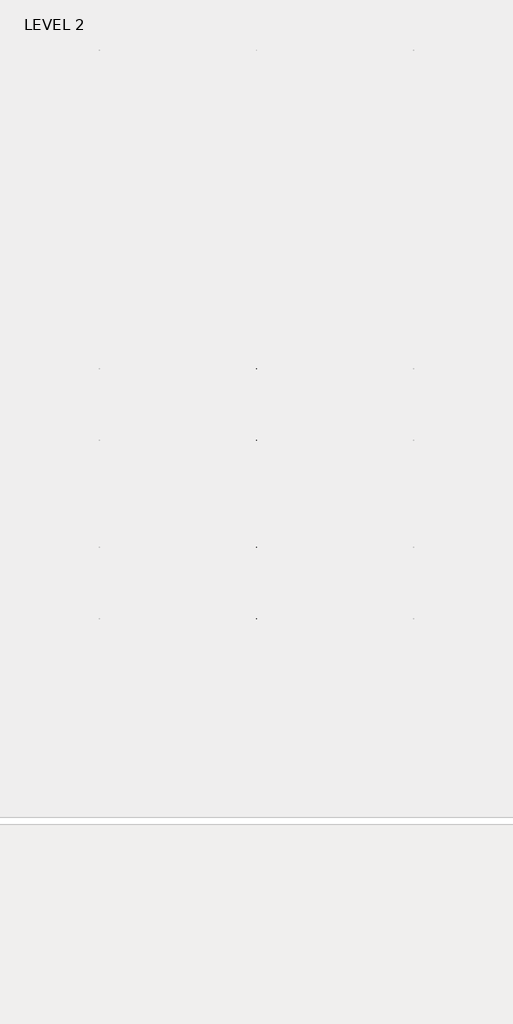
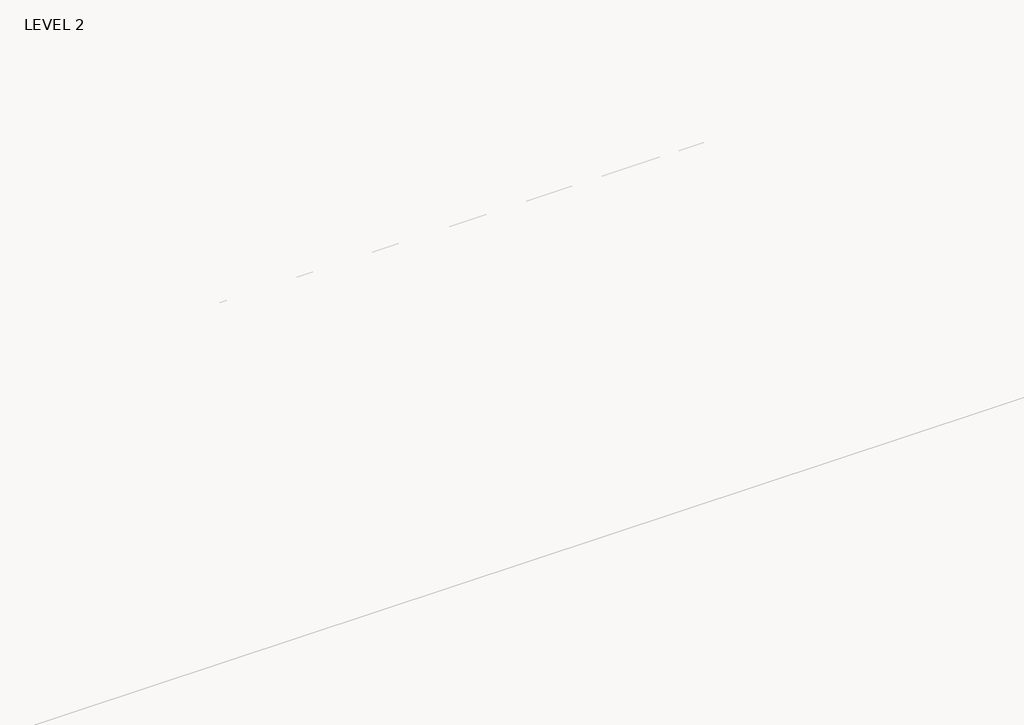
# One storey, part 38 of 67: 1 beam.
"""IFC4 building model written with IfcOpenShell, lengths in millimetres."""

from ifc_helpers import new_model, si_unit, frame, origin, place, context, project, spatial, polyline, outline, extrude, faceted_brep, element, save

model = new_model("IFC4")

# Units and contexts
model_context = context("Model", 3, world=origin())
ifc_project = project(units=[si_unit("LENGTHUNIT", "METRE", prefix="MILLI")], contexts=[model_context])

# Site, building, storey
site = spatial("IfcSite", under=ifc_project)
building = spatial("IfcBuilding", under=site)
storey = spatial("IfcBuildingStorey", under=building, Name="LEVEL 2", Elevation=6908.8)

# Beam
placement = place(None, origin())
element("IfcBeam", 1, ObjectType="K-Series Bar Joist-Angle Web : 12K3", at=placement, inside=storey, context=model_context, shape_type="SolidModel", body=[
    extrude(outline(polyline([(0.0, -9.525), (0.0, 0.0), (573.7533355, 0.0), (573.7533355, -9.525), (0.0, -9.525)])), frame((37225.8014942, -9604.1227945, 6274.1671734), z_axis=(0.0, -0.48308851527800273, 0.8755715198694479), x_axis=(0.0, -0.8755715198694479, -0.48308851527800273)), (0.0, 0.0, 1.0), 9.525),
    extrude(outline(polyline([(0.0, -9.525), (0.0, 0.0), (573.7533355, 0.0), (573.7533355, -9.525), (0.0, -9.525)])), frame((37216.2764942, -14433.5123055, 6174.0312759), z_axis=(0.0, 0.44637950228858414, 0.894843751688861), x_axis=(0.0, 0.894843751688861, -0.44637950228858414)), (0.0, 0.0, 1.0), 9.525),
    extrude(outline(polyline([(4.7625, 4.7625), (4.7625, -4.7625), (-4.7625, -4.7625), (-4.7625, 4.7625), (4.7625, 4.7625)])), frame((37221.0389942, -10108.7855836, 6001.1634358), z_axis=(0.0, 0.5271021201119526, 0.8498019504410923), x_axis=(-1.0, 0.0, 0.0)), (0.0, 0.0, 1.0), 317.9950191),
    extrude(outline(polyline([(4.7625, 4.7625), (4.7625, -4.7625001), (-4.7625, -4.7625001), (-4.7625, 4.7625), (4.7625, 4.7625)])), frame((37221.0389942, -13917.9668359, 5922.1812409), z_axis=(0.0, -0.5618747002661082, 0.8272223529383567), x_axis=(-1.0, 0.0, 0.0)), (0.0, 0.0, 1.0), 317.9950191),
    extrude(outline(polyline([(0.0, 0.0), (31.75, 0.0), (31.75, -6.35), (6.35, -6.35), (6.35, -31.75), (0.0, -31.75), (0.0, 0.0)])), frame((37225.8014942, -14019.4133656, 5913.7264136), z_axis=(0.0, 0.9997851055909517, 0.02073023488747072), x_axis=(1.0, 0.0, 0.0)), (0.0, 0.0, 1.0), 4013.2),
    extrude(outline(polyline([(-9.525, 0.0), (-9.525, -31.75), (-15.875, -31.75), (-15.875, -6.35), (-41.275, -6.35), (-41.275, 0.0), (-9.525, 0.0)])), frame((37225.8014942, -14019.4133656, 5913.7264136), z_axis=(0.0, 0.9997851055909517, 0.02073023488747072), x_axis=(1.0, 0.0, 0.0)), (0.0, 0.0, 1.0), 4013.2),
    extrude(outline(polyline([(-31.75, 0.0), (0.0, 0.0), (0.0, -6.35), (-25.4, -6.35), (-25.4, -31.75), (-31.75, -31.75), (-31.75, 0.0)])), frame((37257.5514942, -14532.3064049, 6144.4436003), z_axis=(0.0, 0.9997851055909517, 0.02073023488747072), x_axis=(1.0, 0.0, 0.0)), (0.0, 0.0, 1.0), 101.6),
    extrude(outline(polyline([(-41.275, 0.0), (-41.275, -31.75), (-47.625, -31.75), (-47.625, -6.35), (-73.025, -6.35), (-73.025, 0.0), (-41.275, 0.0)])), frame((37257.5514942, -14532.3064049, 6144.4436003), z_axis=(0.0, 0.9997851055909517, 0.02073023488747072), x_axis=(1.0, 0.0, 0.0)), (0.0, 0.0, 1.0), 101.6),
    extrude(outline(polyline([(0.0, 0.0), (31.75, 0.0), (31.75, -6.35), (6.35, -6.35), (6.35, -31.75), (0.0, -31.75), (0.0, 0.0)])), frame((37216.2764942, -9605.7653186, 6246.5939057), z_axis=(0.0, 0.9997851055909517, 0.02073023488747072), x_axis=(0.0, -0.02073023488747072, 0.9997851055909517)), (0.0, 0.0, 1.0), 101.6),
    extrude(outline(polyline([(0.0, 41.275), (6.35, 41.275), (6.35, 15.875), (31.75, 15.875), (31.75, 9.525), (0.0, 9.525), (0.0, 41.275)])), frame((37216.2764942, -9605.7653186, 6246.5939057), z_axis=(0.0, 0.9997851055909517, 0.02073023488747072), x_axis=(0.0, -0.02073023488747072, 0.9997851055909517)), (0.0, 0.0, 1.0), 101.6),
    extrude(outline(polyline([(0.0, 0.0), (31.75, 0.0), (31.75, -6.35), (6.35, -6.35), (6.35, -31.75), (0.0, -31.75), (0.0, 0.0)])), frame((37225.8014942, -14533.6227748, 6207.9299545), z_axis=(0.0, 0.9997851055909517, 0.02073023488747072), x_axis=(0.0, 0.02073023488747072, -0.9997851055909517)), (0.0, 0.0, 1.0), 5029.2),
    extrude(outline(polyline([(0.0, 9.525), (0.0, 41.275), (6.35, 41.275), (6.35, 15.875), (31.75, 15.875), (31.75, 9.525), (0.0, 9.525)])), frame((37225.8014942, -14533.6227748, 6207.9299545), z_axis=(0.0, 0.9997851055909517, 0.02073023488747072), x_axis=(0.0, 0.02073023488747072, -0.9997851055909517)), (0.0, 0.0, 1.0), 5029.2),
    faceted_brep([(37221.0389942, -10109.114676, 6017.0350244), (37221.0389942, -10108.7197651, 5997.9891181), (37216.2764942, -10108.7197651, 5997.9891181), (37216.2764942, -10109.114676, 6017.0350244), (37221.0389942, -10109.9510625, 6017.0176822), (37221.0389942, -10276.1904217, 6293.0308149), (37221.0389942, -10294.3999415, 6292.6532461), (37221.0389942, -10294.0050305, 6273.6073399), (37221.0389942, -10286.8200086, 6273.7563191), (37221.0389942, -10120.5806494, 5997.7431863), (37216.2764942, -10120.5806494, 5997.7431863), (37216.2764942, -10141.3605693, 6032.2448279), (37216.2764942, -10137.2808829, 6034.7019736), (37216.2764942, -10273.294904, 6260.5309003), (37216.2764942, -10277.3745905, 6258.0737547), (37216.2764942, -10286.8200086, 6273.7563191), (37216.2764942, -10294.0050305, 6273.6073399), (37216.2764942, -10294.3999415, 6292.6532461), (37216.2764942, -10276.1904217, 6293.0308149), (37216.2764942, -10109.9510625, 6017.0176822), (37203.5764942, -10277.3745905, 6258.0737547), (37203.5764942, -10141.3605693, 6032.2448279), (37203.5764942, -10137.2808829, 6034.7019736), (37203.5764942, -10273.294904, 6260.5309003)], [[[0, 1, 2, 3]], [[1, 0, 4, 5, 6, 7, 8, 9]], [[2, 1, 9, 10]], [[3, 2, 10, 11, 12, 13, 14, 15, 16, 17, 18, 19]], [[0, 3, 19, 4]], [[9, 8, 15, 14, 20, 21, 11, 10]], [[5, 4, 19, 18]], [[7, 6, 17, 16]], [[8, 7, 16, 15]], [[6, 5, 18, 17]], [[21, 22, 12, 11]], [[20, 14, 13, 23]], [[22, 21, 20, 23]], [[12, 22, 23, 13]]]),
    extrude(outline(polyline([(-10455.0089698, 5990.8089186), (-10455.4038808, 6009.8548248), (-10454.5674943, 6009.872167), (-10299.9121904, 6292.5389513), (-10281.7026706, 6292.9165201), (-10281.3077596, 6273.8706138), (-10288.4927815, 6273.7216346), (-10443.1480854, 5991.0548503), (-10455.0089698, 5990.8089186)])), frame((37221.0389942, 0.0, 0.0), z_axis=(1.0, 0.0, 0.0), x_axis=(0.0, 1.0, 0.0)), (0.0, 0.0, 1.0), 4.7625),
    extrude(outline(polyline([(-4.7625, 4.7625), (-4.7625, 0.0), (-17.4625, 0.0), (-17.4625, 4.7625), (-4.7625, 4.7625)])), frame((37221.0389942, -10423.8161725, 6026.3881984), z_axis=(0.0, 0.4799841217599757, 0.8772771756168657), x_axis=(-1.0, 0.0, 0.0)), (0.0, 0.0, 1.0), 263.6257159),
    faceted_brep([(37221.0389942, -13572.0067236, 5945.233029), (37221.0389942, -13571.6118126, 5926.1871227), (37216.2764942, -13571.6118126, 5926.1871227), (37216.2764942, -13572.0067236, 5945.233029), (37221.0389942, -13572.8431101, 5945.2156868), (37221.0389942, -13739.0824692, 6221.2288195), (37221.0389942, -13757.291989, 6220.8512507), (37221.0389942, -13756.897078, 6201.8053445), (37221.0389942, -13749.7120561, 6201.9543237), (37221.0389942, -13583.472697, 5925.941191), (37216.2764942, -13583.472697, 5925.941191), (37216.2764942, -13604.2526169, 5960.4428325), (37216.2764942, -13600.1729304, 5962.8999782), (37216.2764942, -13736.1869515, 6188.7289049), (37216.2764942, -13740.266638, 6186.2717593), (37216.2764942, -13749.7120561, 6201.9543237), (37216.2764942, -13756.897078, 6201.8053445), (37216.2764942, -13757.291989, 6220.8512507), (37216.2764942, -13739.0824692, 6221.2288195), (37216.2764942, -13572.8431101, 5945.2156868), (37203.5764942, -13740.266638, 6186.2717593), (37203.5764942, -13604.2526169, 5960.4428325), (37203.5764942, -13600.1729304, 5962.8999782), (37203.5764942, -13736.1869515, 6188.7289049)], [[[0, 1, 2, 3]], [[1, 0, 4, 5, 6, 7, 8, 9]], [[2, 1, 9, 10]], [[3, 2, 10, 11, 12, 13, 14, 15, 16, 17, 18, 19]], [[0, 3, 19, 4]], [[9, 8, 15, 14, 20, 21, 11, 10]], [[5, 4, 19, 18]], [[7, 6, 17, 16]], [[8, 7, 16, 15]], [[6, 5, 18, 17]], [[21, 22, 12, 11]], [[20, 14, 13, 23]], [[22, 21, 20, 23]], [[12, 22, 23, 13]]]),
    extrude(outline(polyline([(-13917.9010174, 5919.0069232), (-13918.2959283, 5938.0528295), (-13917.4595419, 5938.0701717), (-13762.804238, 6220.736956), (-13744.5947182, 6221.1145247), (-13744.1998072, 6202.0686185), (-13751.3848291, 6201.9196392), (-13906.040133, 5919.252855), (-13917.9010174, 5919.0069232)])), frame((37221.0389942, 0.0, 0.0), z_axis=(1.0, 0.0, 0.0), x_axis=(0.0, 1.0, 0.0)), (0.0, 0.0, 1.0), 4.7625),
    extrude(outline(polyline([(-4.7625, 4.7625001), (-4.7625, 0.0), (-17.4625, 0.0), (-17.4625, 4.7625001), (-4.7625, 4.7625001)])), frame((37221.0389942, -13886.70822, 5954.586203), z_axis=(0.0, 0.4799841217599757, 0.8772771756168657), x_axis=(-1.0, 0.0, 0.0)), (0.0, 0.0, 1.0), 263.6257159),
    faceted_brep([(37221.0389942, -10455.4038808, 6009.8548248), (37221.0389942, -10455.0089698, 5990.8089186), (37216.2764942, -10455.0089698, 5990.8089186), (37216.2764942, -10455.4038808, 6009.8548248), (37221.0389942, -10456.2402673, 6009.8374826), (37221.0389942, -10622.4796264, 6285.8506153), (37221.0389942, -10640.6891462, 6285.4730466), (37221.0389942, -10640.2942352, 6266.4271403), (37221.0389942, -10633.1092134, 6266.5761195), (37221.0389942, -10466.8698542, 5990.5629868), (37216.2764942, -10466.8698542, 5990.5629868), (37216.2764942, -10487.6497741, 6025.0646284), (37216.2764942, -10483.5700876, 6027.521774), (37216.2764942, -10619.5841088, 6253.3507008), (37216.2764942, -10623.6637952, 6250.8935552), (37216.2764942, -10633.1092134, 6266.5761195), (37216.2764942, -10640.2942352, 6266.4271403), (37216.2764942, -10640.6891462, 6285.4730466), (37216.2764942, -10622.4796264, 6285.8506153), (37216.2764942, -10456.2402673, 6009.8374826), (37203.5764942, -10623.6637952, 6250.8935552), (37203.5764942, -10487.6497741, 6025.0646284), (37203.5764942, -10483.5700876, 6027.521774), (37203.5764942, -10619.5841088, 6253.3507008)], [[[0, 1, 2, 3]], [[1, 0, 4, 5, 6, 7, 8, 9]], [[2, 1, 9, 10]], [[3, 2, 10, 11, 12, 13, 14, 15, 16, 17, 18, 19]], [[0, 3, 19, 4]], [[9, 8, 15, 14, 20, 21, 11, 10]], [[5, 4, 19, 18]], [[7, 6, 17, 16]], [[8, 7, 16, 15]], [[6, 5, 18, 17]], [[21, 22, 12, 11]], [[20, 14, 13, 23]], [[22, 21, 20, 23]], [[12, 22, 23, 13]]]),
    extrude(outline(polyline([(-10801.2981746, 5983.628719), (-10801.6930855, 6002.6746253), (-10800.8566991, 6002.6919675), (-10646.2013952, 6285.3587518), (-10627.9918754, 6285.7363206), (-10627.5969644, 6266.6904143), (-10634.7819863, 6266.5414351), (-10789.4372902, 5983.8746508), (-10801.2981746, 5983.628719)])), frame((37221.0389942, 0.0, 0.0), z_axis=(1.0, 0.0, 0.0), x_axis=(0.0, 1.0, 0.0)), (0.0, 0.0, 1.0), 4.7625),
    extrude(outline(polyline([(-4.7625, 4.7625001), (-4.7625, 0.0), (-17.4625, 0.0), (-17.4625, 4.7625001), (-4.7625, 4.7625001)])), frame((37221.0389942, -10770.1053772, 6019.2079988), z_axis=(0.0, 0.4799841217599757, 0.8772771756168657), x_axis=(-1.0, 0.0, 0.0)), (0.0, 0.0, 1.0), 263.6257159),
    faceted_brep([(37221.0389942, -10801.6930855, 6002.6746253), (37221.0389942, -10801.2981746, 5983.628719), (37216.2764942, -10801.2981746, 5983.628719), (37216.2764942, -10801.6930855, 6002.6746253), (37221.0389942, -10802.529472, 6002.6572831), (37221.0389942, -10968.7688312, 6278.6704158), (37221.0389942, -10986.978351, 6278.292847), (37221.0389942, -10986.58344, 6259.2469408), (37221.0389942, -10979.3984181, 6259.39592), (37221.0389942, -10813.1590589, 5983.3827873), (37216.2764942, -10813.1590589, 5983.3827873), (37216.2764942, -10833.9389788, 6017.8844289), (37216.2764942, -10829.8592924, 6020.3415745), (37216.2764942, -10965.8733135, 6246.1705013), (37216.2764942, -10969.953, 6243.7133556), (37216.2764942, -10979.3984181, 6259.39592), (37216.2764942, -10986.58344, 6259.2469408), (37216.2764942, -10986.978351, 6278.292847), (37216.2764942, -10968.7688312, 6278.6704158), (37216.2764942, -10802.529472, 6002.6572831), (37203.5764942, -10969.953, 6243.7133556), (37203.5764942, -10833.9389788, 6017.8844289), (37203.5764942, -10829.8592924, 6020.3415745), (37203.5764942, -10965.8733135, 6246.1705013)], [[[0, 1, 2, 3]], [[1, 0, 4, 5, 6, 7, 8, 9]], [[2, 1, 9, 10]], [[3, 2, 10, 11, 12, 13, 14, 15, 16, 17, 18, 19]], [[0, 3, 19, 4]], [[9, 8, 15, 14, 20, 21, 11, 10]], [[5, 4, 19, 18]], [[7, 6, 17, 16]], [[8, 7, 16, 15]], [[6, 5, 18, 17]], [[21, 22, 12, 11]], [[20, 14, 13, 23]], [[22, 21, 20, 23]], [[12, 22, 23, 13]]]),
    extrude(outline(polyline([(-11147.5873793, 5976.4485195), (-11147.9822903, 5995.4944258), (-11147.1459038, 5995.511768), (-10992.4905999, 6278.1785523), (-10974.2810801, 6278.556121), (-10973.8861692, 6259.5102148), (-10981.071191, 6259.3612356), (-11135.726495, 5976.6944513), (-11147.5873793, 5976.4485195)])), frame((37221.0389942, 0.0, 0.0), z_axis=(1.0, 0.0, 0.0), x_axis=(0.0, 1.0, 0.0)), (0.0, 0.0, 1.0), 4.7625),
    extrude(outline(polyline([(-4.7625, 4.7625), (-4.7625, 0.0), (-17.4625, 0.0), (-17.4625, 4.7625), (-4.7625, 4.7625)])), frame((37221.0389942, -11116.394582, 6012.0277993), z_axis=(0.0, 0.4799841217599757, 0.8772771756168657), x_axis=(-1.0, 0.0, 0.0)), (0.0, 0.0, 1.0), 263.6257159),
    faceted_brep([(37221.0389942, -11147.9822903, 5995.4944258), (37221.0389942, -11147.5873793, 5976.4485195), (37216.2764942, -11147.5873793, 5976.4485195), (37216.2764942, -11147.9822903, 5995.4944258), (37221.0389942, -11148.8186768, 5995.4770835), (37221.0389942, -11315.0580359, 6271.4902163), (37221.0389942, -11333.2675557, 6271.1126475), (37221.0389942, -11332.8726447, 6252.0667412), (37221.0389942, -11325.6876229, 6252.2157204), (37221.0389942, -11159.4482637, 5976.2025877), (37216.2764942, -11159.4482637, 5976.2025877), (37216.2764942, -11180.2281836, 6010.7042293), (37216.2764942, -11176.1484971, 6013.1613749), (37216.2764942, -11312.1625183, 6238.9903017), (37216.2764942, -11316.2422047, 6236.5331561), (37216.2764942, -11325.6876229, 6252.2157204), (37216.2764942, -11332.8726447, 6252.0667412), (37216.2764942, -11333.2675557, 6271.1126475), (37216.2764942, -11315.0580359, 6271.4902163), (37216.2764942, -11148.8186768, 5995.4770835), (37203.5764942, -11316.2422047, 6236.5331561), (37203.5764942, -11180.2281836, 6010.7042293), (37203.5764942, -11176.1484971, 6013.1613749), (37203.5764942, -11312.1625183, 6238.9903017)], [[[0, 1, 2, 3]], [[1, 0, 4, 5, 6, 7, 8, 9]], [[2, 1, 9, 10]], [[3, 2, 10, 11, 12, 13, 14, 15, 16, 17, 18, 19]], [[0, 3, 19, 4]], [[9, 8, 15, 14, 20, 21, 11, 10]], [[5, 4, 19, 18]], [[7, 6, 17, 16]], [[8, 7, 16, 15]], [[6, 5, 18, 17]], [[21, 22, 12, 11]], [[20, 14, 13, 23]], [[22, 21, 20, 23]], [[12, 22, 23, 13]]]),
    extrude(outline(polyline([(-11493.8765841, 5969.26832), (-11494.2714951, 5988.3142262), (-11493.4351086, 5988.3315684), (-11338.7798047, 6270.9983527), (-11320.5702849, 6271.3759215), (-11320.1753739, 6252.3300152), (-11327.3603958, 6252.181036), (-11482.0156997, 5969.5142517), (-11493.8765841, 5969.26832)])), frame((37221.0389942, 0.0, 0.0), z_axis=(1.0, 0.0, 0.0), x_axis=(0.0, 1.0, 0.0)), (0.0, 0.0, 1.0), 4.7625),
    extrude(outline(polyline([(-4.7625, 4.7625), (-4.7625, 0.0), (-17.4625, 0.0), (-17.4625, 4.7625), (-4.7625, 4.7625)])), frame((37221.0389942, -11462.6837867, 6004.8475998), z_axis=(0.0, 0.4799841217599757, 0.8772771756168657), x_axis=(-1.0, 0.0, 0.0)), (0.0, 0.0, 1.0), 263.6257159),
    faceted_brep([(37221.0389942, -11494.2714951, 5988.3142262), (37221.0389942, -11493.8765841, 5969.26832), (37216.2764942, -11493.8765841, 5969.26832), (37216.2764942, -11494.2714951, 5988.3142262), (37221.0389942, -11495.1078815, 5988.296884), (37221.0389942, -11661.3472407, 6264.3100167), (37221.0389942, -11679.5567605, 6263.932448), (37221.0389942, -11679.1618495, 6244.8865417), (37221.0389942, -11671.9768276, 6245.0355209), (37221.0389942, -11505.7374685, 5969.0223882), (37216.2764942, -11505.7374685, 5969.0223882), (37216.2764942, -11526.5173883, 6003.5240298), (37216.2764942, -11522.4377019, 6005.9811754), (37216.2764942, -11658.451723, 6231.8101022), (37216.2764942, -11662.5314095, 6229.3529565), (37216.2764942, -11671.9768276, 6245.0355209), (37216.2764942, -11679.1618495, 6244.8865417), (37216.2764942, -11679.5567605, 6263.932448), (37216.2764942, -11661.3472407, 6264.3100167), (37216.2764942, -11495.1078815, 5988.296884), (37203.5764942, -11662.5314095, 6229.3529565), (37203.5764942, -11526.5173883, 6003.5240298), (37203.5764942, -11522.4377019, 6005.9811754), (37203.5764942, -11658.451723, 6231.8101022)], [[[0, 1, 2, 3]], [[1, 0, 4, 5, 6, 7, 8, 9]], [[2, 1, 9, 10]], [[3, 2, 10, 11, 12, 13, 14, 15, 16, 17, 18, 19]], [[0, 3, 19, 4]], [[9, 8, 15, 14, 20, 21, 11, 10]], [[5, 4, 19, 18]], [[7, 6, 17, 16]], [[8, 7, 16, 15]], [[6, 5, 18, 17]], [[21, 22, 12, 11]], [[20, 14, 13, 23]], [[22, 21, 20, 23]], [[12, 22, 23, 13]]]),
    extrude(outline(polyline([(-11840.1657888, 5962.0881204), (-11840.5606998, 5981.1340267), (-11839.7243133, 5981.1513689), (-11685.0690094, 6263.8181532), (-11666.8594896, 6264.1957219), (-11666.4645787, 6245.1498157), (-11673.6496006, 6245.0008365), (-11828.3049045, 5962.3340522), (-11840.1657888, 5962.0881204)])), frame((37221.0389942, 0.0, 0.0), z_axis=(1.0, 0.0, 0.0), x_axis=(0.0, 1.0, 0.0)), (0.0, 0.0, 1.0), 4.7625),
    extrude(outline(polyline([(-4.7625, 4.7625), (-4.7625, 0.0), (-17.4625, 0.0), (-17.4625, 4.7625), (-4.7625, 4.7625)])), frame((37221.0389942, -11808.9729915, 5997.6674002), z_axis=(0.0, 0.4799841217599757, 0.8772771756168657), x_axis=(-1.0, 0.0, 0.0)), (0.0, 0.0, 1.0), 263.6257159),
    faceted_brep([(37221.0389942, -11840.5606998, 5981.1340267), (37221.0389942, -11840.1657888, 5962.0881204), (37216.2764942, -11840.1657888, 5962.0881204), (37216.2764942, -11840.5606998, 5981.1340267), (37221.0389942, -11841.3970863, 5981.1166845), (37221.0389942, -12007.6364454, 6257.1298172), (37221.0389942, -12025.8459652, 6256.7522484), (37221.0389942, -12025.4510543, 6237.7063422), (37221.0389942, -12018.2660324, 6237.8553214), (37221.0389942, -11852.0266732, 5961.8421887), (37216.2764942, -11852.0266732, 5961.8421887), (37216.2764942, -11872.8065931, 5996.3438302), (37216.2764942, -11868.7269066, 5998.8009759), (37216.2764942, -12004.7409278, 6224.6299026), (37216.2764942, -12008.8206142, 6222.172757), (37216.2764942, -12018.2660324, 6237.8553214), (37216.2764942, -12025.4510543, 6237.7063422), (37216.2764942, -12025.8459652, 6256.7522484), (37216.2764942, -12007.6364454, 6257.1298172), (37216.2764942, -11841.3970863, 5981.1166845), (37203.5764942, -12008.8206142, 6222.172757), (37203.5764942, -11872.8065931, 5996.3438302), (37203.5764942, -11868.7269066, 5998.8009759), (37203.5764942, -12004.7409278, 6224.6299026)], [[[0, 1, 2, 3]], [[1, 0, 4, 5, 6, 7, 8, 9]], [[2, 1, 9, 10]], [[3, 2, 10, 11, 12, 13, 14, 15, 16, 17, 18, 19]], [[0, 3, 19, 4]], [[9, 8, 15, 14, 20, 21, 11, 10]], [[5, 4, 19, 18]], [[7, 6, 17, 16]], [[8, 7, 16, 15]], [[6, 5, 18, 17]], [[21, 22, 12, 11]], [[20, 14, 13, 23]], [[22, 21, 20, 23]], [[12, 22, 23, 13]]]),
    extrude(outline(polyline([(-12186.4549936, 5954.9079209), (-12186.8499046, 5973.9538271), (-12186.0135181, 5973.9711694), (-12031.3582142, 6256.6379536), (-12013.1486944, 6257.0155224), (-12012.7537834, 6237.9696161), (-12019.9388053, 6237.8206369), (-12174.5941092, 5955.1538527), (-12186.4549936, 5954.9079209)])), frame((37221.0389942, 0.0, 0.0), z_axis=(1.0, 0.0, 0.0), x_axis=(0.0, 1.0, 0.0)), (0.0, 0.0, 1.0), 4.7625),
    extrude(outline(polyline([(-4.7625, 4.7625001), (-4.7625, 0.0), (-17.4625, 0.0), (-17.4625, 4.7625001), (-4.7625, 4.7625001)])), frame((37221.0389942, -12155.2621962, 5990.4872007), z_axis=(0.0, 0.4799841217599757, 0.8772771756168657), x_axis=(-1.0, 0.0, 0.0)), (0.0, 0.0, 1.0), 263.6257159),
    faceted_brep([(37221.0389942, -12186.8499046, 5973.9538271), (37221.0389942, -12186.4549936, 5954.9079209), (37216.2764942, -12186.4549936, 5954.9079209), (37216.2764942, -12186.8499046, 5973.9538271), (37221.0389942, -12187.686291, 5973.9364849), (37221.0389942, -12353.9256502, 6249.9496176), (37221.0389942, -12372.13517, 6249.5720489), (37221.0389942, -12371.740259, 6230.5261426), (37221.0389942, -12364.5552371, 6230.6751218), (37221.0389942, -12198.315878, 5954.6619891), (37216.2764942, -12198.315878, 5954.6619891), (37216.2764942, -12219.0957979, 5989.1636307), (37216.2764942, -12215.0161114, 5991.6207763), (37216.2764942, -12351.0301325, 6217.4497031), (37216.2764942, -12355.109819, 6214.9925575), (37216.2764942, -12364.5552371, 6230.6751218), (37216.2764942, -12371.740259, 6230.5261426), (37216.2764942, -12372.13517, 6249.5720489), (37216.2764942, -12353.9256502, 6249.9496176), (37216.2764942, -12187.686291, 5973.9364849), (37203.5764942, -12355.109819, 6214.9925575), (37203.5764942, -12219.0957979, 5989.1636307), (37203.5764942, -12215.0161114, 5991.6207763), (37203.5764942, -12351.0301325, 6217.4497031)], [[[0, 1, 2, 3]], [[1, 0, 4, 5, 6, 7, 8, 9]], [[2, 1, 9, 10]], [[3, 2, 10, 11, 12, 13, 14, 15, 16, 17, 18, 19]], [[0, 3, 19, 4]], [[9, 8, 15, 14, 20, 21, 11, 10]], [[5, 4, 19, 18]], [[7, 6, 17, 16]], [[8, 7, 16, 15]], [[6, 5, 18, 17]], [[21, 22, 12, 11]], [[20, 14, 13, 23]], [[22, 21, 20, 23]], [[12, 22, 23, 13]]]),
    extrude(outline(polyline([(-12532.7441983, 5947.7277213), (-12533.1391093, 5966.7736276), (-12532.3027228, 5966.7909698), (-12377.6474189, 6249.4577541), (-12359.4378991, 6249.8353229), (-12359.0429882, 6230.7894166), (-12366.2280101, 6230.6404374), (-12520.883314, 5947.9736531), (-12532.7441983, 5947.7277213)])), frame((37221.0389942, 0.0, 0.0), z_axis=(1.0, 0.0, 0.0), x_axis=(0.0, 1.0, 0.0)), (0.0, 0.0, 1.0), 4.7625),
    extrude(outline(polyline([(-4.7625, 4.7625), (-4.7625, 0.0), (-17.4625, 0.0), (-17.4625, 4.7625), (-4.7625, 4.7625)])), frame((37221.0389942, -12501.551401, 5983.3070011), z_axis=(0.0, 0.4799841217599757, 0.8772771756168657), x_axis=(-1.0, 0.0, 0.0)), (0.0, 0.0, 1.0), 263.6257159),
    faceted_brep([(37221.0389942, -12533.1391093, 5966.7736276), (37221.0389942, -12532.7441983, 5947.7277213), (37216.2764942, -12532.7441983, 5947.7277213), (37216.2764942, -12533.1391093, 5966.7736276), (37221.0389942, -12533.9754958, 5966.7562854), (37221.0389942, -12700.214855, 6242.7694181), (37221.0389942, -12718.4243747, 6242.3918493), (37221.0389942, -12718.0294638, 6223.3459431), (37221.0389942, -12710.8444419, 6223.4949223), (37221.0389942, -12544.6050827, 5947.4817896), (37216.2764942, -12544.6050827, 5947.4817896), (37216.2764942, -12565.3850026, 5981.9834312), (37216.2764942, -12561.3053162, 5984.4405768), (37216.2764942, -12697.3193373, 6210.2695036), (37216.2764942, -12701.3990237, 6207.8123579), (37216.2764942, -12710.8444419, 6223.4949223), (37216.2764942, -12718.0294638, 6223.3459431), (37216.2764942, -12718.4243747, 6242.3918493), (37216.2764942, -12700.214855, 6242.7694181), (37216.2764942, -12533.9754958, 5966.7562854), (37203.5764942, -12701.3990237, 6207.8123579), (37203.5764942, -12565.3850026, 5981.9834312), (37203.5764942, -12561.3053162, 5984.4405768), (37203.5764942, -12697.3193373, 6210.2695036)], [[[0, 1, 2, 3]], [[1, 0, 4, 5, 6, 7, 8, 9]], [[2, 1, 9, 10]], [[3, 2, 10, 11, 12, 13, 14, 15, 16, 17, 18, 19]], [[0, 3, 19, 4]], [[9, 8, 15, 14, 20, 21, 11, 10]], [[5, 4, 19, 18]], [[7, 6, 17, 16]], [[8, 7, 16, 15]], [[6, 5, 18, 17]], [[21, 22, 12, 11]], [[20, 14, 13, 23]], [[22, 21, 20, 23]], [[12, 22, 23, 13]]]),
    extrude(outline(polyline([(-12879.0334031, 5940.5475218), (-12879.4283141, 5959.5934281), (-12878.5919276, 5959.6107703), (-12723.9366237, 6242.2775546), (-12705.7271039, 6242.6551233), (-12705.3321929, 6223.6092171), (-12712.5172148, 6223.4602379), (-12867.1725187, 5940.7934536), (-12879.0334031, 5940.5475218)])), frame((37221.0389942, 0.0, 0.0), z_axis=(1.0, 0.0, 0.0), x_axis=(0.0, 1.0, 0.0)), (0.0, 0.0, 1.0), 4.7625),
    extrude(outline(polyline([(-4.7625, 4.7625001), (-4.7625, 0.0), (-17.4625, 0.0), (-17.4625, 4.7625001), (-4.7625, 4.7625001)])), frame((37221.0389942, -12847.8406057, 5976.1268016), z_axis=(0.0, 0.4799841217599757, 0.8772771756168657), x_axis=(-1.0, 0.0, 0.0)), (0.0, 0.0, 1.0), 263.6257159),
    faceted_brep([(37221.0389942, -12879.4283141, 5959.5934281), (37221.0389942, -12879.0334031, 5940.5475218), (37216.2764942, -12879.0334031, 5940.5475218), (37216.2764942, -12879.4283141, 5959.5934281), (37221.0389942, -12880.2647005, 5959.5760859), (37221.0389942, -13046.5040597, 6235.5892186), (37221.0389942, -13064.7135795, 6235.2116498), (37221.0389942, -13064.3186685, 6216.1657435), (37221.0389942, -13057.1336466, 6216.3147228), (37221.0389942, -12890.8942875, 5940.30159), (37216.2764942, -12890.8942875, 5940.30159), (37216.2764942, -12911.6742074, 5974.8032316), (37216.2764942, -12907.5945209, 5977.2603773), (37216.2764942, -13043.608542, 6203.089304), (37216.2764942, -13047.6882285, 6200.6321584), (37216.2764942, -13057.1336466, 6216.3147228), (37216.2764942, -13064.3186685, 6216.1657435), (37216.2764942, -13064.7135795, 6235.2116498), (37216.2764942, -13046.5040597, 6235.5892186), (37216.2764942, -12880.2647005, 5959.5760859), (37203.5764942, -13047.6882285, 6200.6321584), (37203.5764942, -12911.6742074, 5974.8032316), (37203.5764942, -12907.5945209, 5977.2603773), (37203.5764942, -13043.608542, 6203.089304)], [[[0, 1, 2, 3]], [[1, 0, 4, 5, 6, 7, 8, 9]], [[2, 1, 9, 10]], [[3, 2, 10, 11, 12, 13, 14, 15, 16, 17, 18, 19]], [[0, 3, 19, 4]], [[9, 8, 15, 14, 20, 21, 11, 10]], [[5, 4, 19, 18]], [[7, 6, 17, 16]], [[8, 7, 16, 15]], [[6, 5, 18, 17]], [[21, 22, 12, 11]], [[20, 14, 13, 23]], [[22, 21, 20, 23]], [[12, 22, 23, 13]]]),
    extrude(outline(polyline([(-13225.3226079, 5933.3673223), (-13225.7175188, 5952.4132285), (-13224.8811324, 5952.4305707), (-13070.2258284, 6235.097355), (-13052.0163087, 6235.4749238), (-13051.6213977, 6216.4290175), (-13058.8064196, 6216.2800383), (-13213.4617235, 5933.613254), (-13225.3226079, 5933.3673223)])), frame((37221.0389942, 0.0, 0.0), z_axis=(1.0, 0.0, 0.0), x_axis=(0.0, 1.0, 0.0)), (0.0, 0.0, 1.0), 4.7625),
    extrude(outline(polyline([(-4.7625, 4.7625), (-4.7625, 0.0), (-17.4625, 0.0), (-17.4625, 4.7625), (-4.7625, 4.7625)])), frame((37221.0389942, -13194.1298105, 5968.9466021), z_axis=(0.0, 0.4799841217599757, 0.8772771756168657), x_axis=(-1.0, 0.0, 0.0)), (0.0, 0.0, 1.0), 263.6257159),
    faceted_brep([(37221.0389942, -13225.7175188, 5952.4132285), (37221.0389942, -13225.3226079, 5933.3673223), (37216.2764942, -13225.3226079, 5933.3673223), (37216.2764942, -13225.7175188, 5952.4132285), (37221.0389942, -13226.5539053, 5952.3958863), (37221.0389942, -13392.7932645, 6228.409019), (37221.0389942, -13411.0027843, 6228.0314503), (37221.0389942, -13410.6078733, 6208.985544), (37221.0389942, -13403.4228514, 6209.1345232), (37221.0389942, -13237.1834922, 5933.1213905), (37216.2764942, -13237.1834922, 5933.1213905), (37216.2764942, -13257.9634121, 5967.6230321), (37216.2764942, -13253.8837257, 5970.0801777), (37216.2764942, -13389.8977468, 6195.9091045), (37216.2764942, -13393.9774333, 6193.4519589), (37216.2764942, -13403.4228514, 6209.1345232), (37216.2764942, -13410.6078733, 6208.985544), (37216.2764942, -13411.0027843, 6228.0314503), (37216.2764942, -13392.7932645, 6228.409019), (37216.2764942, -13226.5539053, 5952.3958863), (37203.5764942, -13393.9774333, 6193.4519589), (37203.5764942, -13257.9634121, 5967.6230321), (37203.5764942, -13253.8837257, 5970.0801777), (37203.5764942, -13389.8977468, 6195.9091045)], [[[0, 1, 2, 3]], [[1, 0, 4, 5, 6, 7, 8, 9]], [[2, 1, 9, 10]], [[3, 2, 10, 11, 12, 13, 14, 15, 16, 17, 18, 19]], [[0, 3, 19, 4]], [[9, 8, 15, 14, 20, 21, 11, 10]], [[5, 4, 19, 18]], [[7, 6, 17, 16]], [[8, 7, 16, 15]], [[6, 5, 18, 17]], [[21, 22, 12, 11]], [[20, 14, 13, 23]], [[22, 21, 20, 23]], [[12, 22, 23, 13]]]),
    extrude(outline(polyline([(-13571.6118126, 5926.1871227), (-13572.0067236, 5945.233029), (-13571.1703371, 5945.2503712), (-13416.5150332, 6227.9171555), (-13398.3055134, 6228.2947243), (-13397.9106024, 6209.248818), (-13405.0956243, 6209.0998388), (-13559.7509282, 5926.4330545), (-13571.6118126, 5926.1871227)])), frame((37221.0389942, 0.0, 0.0), z_axis=(1.0, 0.0, 0.0), x_axis=(0.0, 1.0, 0.0)), (0.0, 0.0, 1.0), 4.7625),
    extrude(outline(polyline([(-4.7625, 4.7625001), (-4.7625, 0.0), (-17.4625, 0.0), (-17.4625, 4.7625001), (-4.7625, 4.7625001)])), frame((37221.0389942, -13540.4190152, 5961.7664025), z_axis=(0.0, 0.4799841217599757, 0.8772771756168657), x_axis=(-1.0, 0.0, 0.0)), (0.0, 0.0, 1.0), 263.6257159),
])

save(model, "model.ifc")
